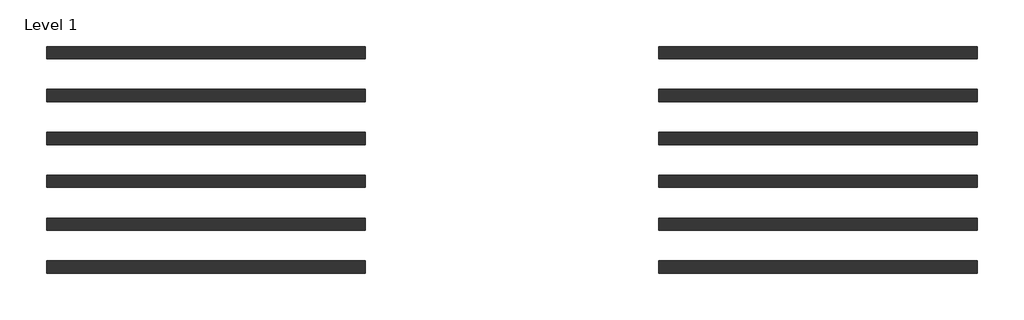
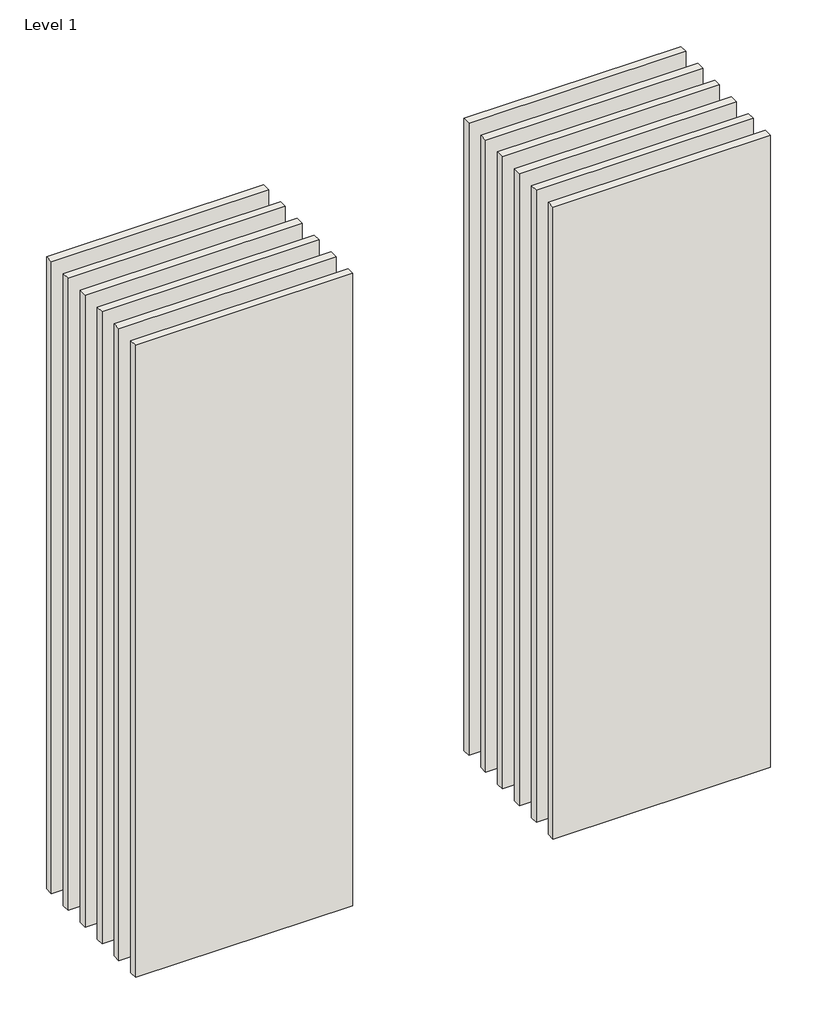
# One storey: 12 walls.
"""IFC4 building model written with IfcOpenShell, lengths in millimetres."""

from ifc_helpers import new_model, si_unit, origin, origin_with_axes, place, context, project, spatial, polyline, outline, extrude, element, save

model = new_model("IFC4")

# Units and contexts
model_context = context("Model", 3, world=origin())
ifc_project = project(units=[si_unit("LENGTHUNIT", "METRE", prefix="MILLI")], contexts=[model_context])

# Site, building, storey
site = spatial("IfcSite", under=ifc_project)
building = spatial("IfcBuilding", under=site)
storey = spatial("IfcBuildingStorey", under=building, Name="Level 1", Elevation=0.0)

# Walls
placement = place(None, origin())
element("IfcWall", 1, at=placement, inside=storey, context=model_context, shape_type="SweptSolid", body=[
    extrude(outline(polyline([(-16904.1464237, 3687.5198817), (-19504.1464237, 3687.5198817), (-19504.1464237, 3787.5198817), (-16904.1464237, 3787.5198817), (-16904.1464237, 3687.5198817)])), origin_with_axes(), (0.0, 0.0, 1.0), 8000.0),
])
element("IfcWall", 2, at=placement, inside=storey, context=model_context, shape_type="SweptSolid", body=[
    extrude(outline(polyline([(-16904.1464237, 3337.5198817), (-19504.1464237, 3337.5198817), (-19504.1464237, 3437.5198817), (-16904.1464237, 3437.5198817), (-16904.1464237, 3337.5198817)])), origin_with_axes(), (0.0, 0.0, 1.0), 8000.0),
])
element("IfcWall", 3, at=placement, inside=storey, context=model_context, shape_type="SweptSolid", body=[
    extrude(outline(polyline([(-16904.1464237, 2987.5198817), (-19504.1464237, 2987.5198817), (-19504.1464237, 3087.5198817), (-16904.1464237, 3087.5198817), (-16904.1464237, 2987.5198817)])), origin_with_axes(), (0.0, 0.0, 1.0), 8000.0),
])
element("IfcWall", 4, at=placement, inside=storey, context=model_context, shape_type="SweptSolid", body=[
    extrude(outline(polyline([(-16904.1464237, 2637.5198817), (-19504.1464237, 2637.5198817), (-19504.1464237, 2737.5198817), (-16904.1464237, 2737.5198817), (-16904.1464237, 2637.5198817)])), origin_with_axes(), (0.0, 0.0, 1.0), 8000.0),
])
element("IfcWall", 5, at=placement, inside=storey, context=model_context, shape_type="SweptSolid", body=[
    extrude(outline(polyline([(-16904.1464237, 2287.5198817), (-19504.1464237, 2287.5198817), (-19504.1464237, 2387.5198817), (-16904.1464237, 2387.5198817), (-16904.1464237, 2287.5198817)])), origin_with_axes(), (0.0, 0.0, 1.0), 8000.0),
])
element("IfcWall", 6, at=placement, inside=storey, context=model_context, shape_type="SweptSolid", body=[
    extrude(outline(polyline([(-16904.1464237, 1937.5198817), (-19504.1464237, 1937.5198817), (-19504.1464237, 2037.5198817), (-16904.1464237, 2037.5198817), (-16904.1464237, 1937.5198817)])), origin_with_axes(), (0.0, 0.0, 1.0), 8000.0),
])
element("IfcWall", 7, at=placement, inside=storey, context=model_context, shape_type="SweptSolid", body=[
    extrude(outline(polyline([(-11904.1464237, 3687.5198817), (-14504.1464237, 3687.5198817), (-14504.1464237, 3787.5198817), (-11904.1464237, 3787.5198817), (-11904.1464237, 3687.5198817)])), origin_with_axes(), (0.0, 0.0, 1.0), 8000.0),
])
element("IfcWall", 8, at=placement, inside=storey, context=model_context, shape_type="SweptSolid", body=[
    extrude(outline(polyline([(-11904.1464237, 3337.5198817), (-14504.1464237, 3337.5198817), (-14504.1464237, 3437.5198817), (-11904.1464237, 3437.5198817), (-11904.1464237, 3337.5198817)])), origin_with_axes(), (0.0, 0.0, 1.0), 8000.0),
])
element("IfcWall", 9, at=placement, inside=storey, context=model_context, shape_type="SweptSolid", body=[
    extrude(outline(polyline([(-11904.1464237, 2987.5198817), (-14504.1464237, 2987.5198817), (-14504.1464237, 3087.5198817), (-11904.1464237, 3087.5198817), (-11904.1464237, 2987.5198817)])), origin_with_axes(), (0.0, 0.0, 1.0), 8000.0),
])
element("IfcWall", 10, at=placement, inside=storey, context=model_context, shape_type="SweptSolid", body=[
    extrude(outline(polyline([(-11904.1464237, 2637.5198817), (-14504.1464237, 2637.5198817), (-14504.1464237, 2737.5198817), (-11904.1464237, 2737.5198817), (-11904.1464237, 2637.5198817)])), origin_with_axes(), (0.0, 0.0, 1.0), 8000.0),
])
element("IfcWall", 11, at=placement, inside=storey, context=model_context, shape_type="SweptSolid", body=[
    extrude(outline(polyline([(-11904.1464237, 2287.5198817), (-14504.1464237, 2287.5198817), (-14504.1464237, 2387.5198817), (-11904.1464237, 2387.5198817), (-11904.1464237, 2287.5198817)])), origin_with_axes(), (0.0, 0.0, 1.0), 8000.0),
])
element("IfcWall", 12, at=placement, inside=storey, context=model_context, shape_type="SweptSolid", body=[
    extrude(outline(polyline([(-11904.1464237, 1937.5198817), (-14504.1464237, 1937.5198817), (-14504.1464237, 2037.5198817), (-11904.1464237, 2037.5198817), (-11904.1464237, 1937.5198817)])), origin_with_axes(), (0.0, 0.0, 1.0), 8000.0),
])

save(model, "model.ifc")
